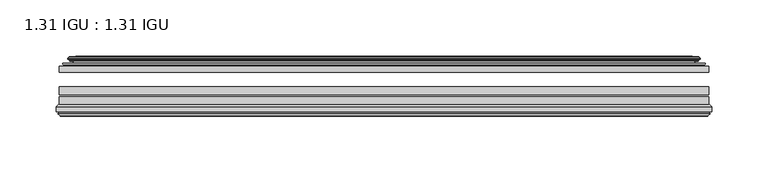
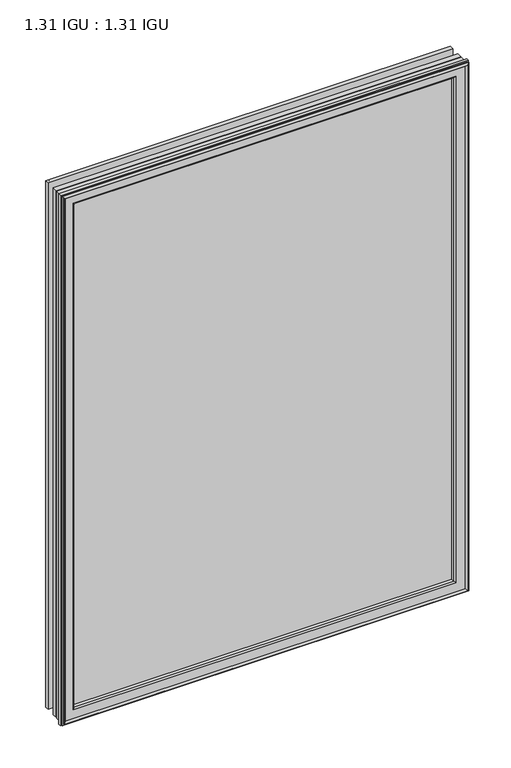
"""IFC4 building model written with IfcOpenShell, lengths in millimetres: plate geometry, 1.31 IGU : 1.31 IGU."""

from ifc_helpers import new_model, si_unit, frame, origin, place, context, project, spatial, polyline, ellipse_curve, outline, extrude, source, transform, mapped, element, save
from ifc_brep_helpers import plane_surface, cylinder_surface, revolved_surface, advanced_brep


def plate_1_31_igu_1_31_igu_2c8ac262(model_context):
    return source(origin(), model_context, "Body", "SolidModel", [
        extrude(outline(polyline([(287.3325649, -44.8960875), (287.3325649, -50.4332875), (-287.3375, -50.4332875), (-287.3375, -44.8960875), (287.3325649, -44.8960875)])), frame((0.0, 0.0, -14.2875), z_axis=(0.0, 0.0, 1.0), x_axis=(1.0, 0.0, 0.0)), (0.0, 0.0, 1.0), 790.47848),
        extrude(outline(polyline([(-287.3375, -78.7796875), (-287.3375, -71.7692875), (287.3325649, -71.7692875), (287.3325649, -78.7796875), (-287.3375, -78.7796875)])), frame((0.0, 0.0, -14.2875), z_axis=(0.0, 0.0, 1.0), x_axis=(1.0, 0.0, 0.0)), (0.0, 0.0, 1.0), 790.47848),
        extrude(outline(polyline([(-287.3375, -70.2452875), (-287.3375, -63.1332875), (287.3325649, -63.1332875), (287.3325649, -70.2452875), (-287.3375, -70.2452875)])), frame((0.0, 0.0, -14.2875), z_axis=(0.0, 0.0, 1.0), x_axis=(1.0, 0.0, 0.0)), (0.0, 0.0, 1.0), 790.47848),
        advanced_brep(
        [(-277.9921755, -37.7373382, 766.8456555), (-273.0505426, -36.3108875, 761.9040226), (-273.0505426, -36.3108875, -0.0005426), (-277.9921755, -37.7373382, -4.9421755), (-277.8270702, -36.9605789, 766.6805502), (-277.8270702, -36.9605789, -4.7770702), (-278.4225559, -36.4771203, 767.2760359), (-278.4225559, -36.4771203, -5.3725559), (-279.6871917, -37.766076, 768.5406717), (-279.6871917, -37.766076, -6.6371917), (-279.6763749, -38.8797852, 768.5298549), (-279.6763749, -38.8797852, -6.6263749), (-278.3948897, -40.1361433, 767.2483697), (-278.3948897, -40.1361433, -5.3448897), (-277.7898829, -39.649943, 766.6433629), (-277.7898829, -39.649943, -4.7398829), (-278.3438972, -39.0959287, 767.1973772), (-278.3438972, -39.0959287, -5.2938972), (-276.0580887, -38.7029881, 764.9115687), (-276.0580887, -38.7029881, -3.0080887), (-274.5990157, -40.2107282, 763.4524957), (-274.5990157, -40.2107282, -1.5490157), (-274.8955976, -41.651269, 763.7490776), (-274.8955976, -41.651269, -1.8455976), (-275.6668221, -42.2798875, 764.5203021), (-275.6668221, -42.2798875, -2.6168221), (-283.9707984, -43.4871542, 772.8242784), (-283.6955969, -42.2798875, 772.5490769), (-283.6955969, -42.2798875, -10.6455969), (-283.9707984, -43.4871542, -10.9207984), (-280.5132297, -44.8960875, 769.3667097), (-280.5132297, -44.8960875, -7.4632297), (-269.4156059, -44.023302, 758.2690859), (-269.7709439, -44.8960875, 758.6244239), (-269.7709439, -44.8960875, 3.2790561), (-269.4156059, -44.023302, 3.6343941), (-270.086804, -43.3681812, 758.940284), (-270.086804, -43.3681812, 2.963196), (-271.7275946, -40.6686056, 760.5810746), (-271.7275946, -40.6686056, 1.3224054), (273.0505426, -36.3108875, -0.0005426), (277.9921755, -37.7373382, -4.9421755), (277.8270702, -36.9605789, -4.7770702), (278.4225559, -36.4771203, -5.3725559), (279.6871917, -37.766076, -6.6371917), (279.6763749, -38.8797852, -6.6263749), (278.3948897, -40.1361433, -5.3448897), (277.7898829, -39.649943, -4.7398829), (278.3438972, -39.0959287, -5.2938972), (276.0580887, -38.7029881, -3.0080887), (274.5990157, -40.2107282, -1.5490157), (274.8955976, -41.651269, -1.8455976), (275.6668221, -42.2798875, -2.6168221), (283.6955969, -42.2798875, -10.6455969), (283.9707984, -43.4871542, -10.9207984), (280.5132297, -44.8960875, -7.4632297), (269.7709439, -44.8960875, 3.2790561), (269.4156059, -44.023302, 3.6343941), (270.086804, -43.3681812, 2.963196), (271.7275946, -40.6686056, 1.3224054), (273.0505426, -36.3108875, 761.9040226), (277.9921755, -37.7373382, 766.8456555), (277.8270702, -36.9605789, 766.6805502), (278.4225559, -36.4771203, 767.2760359), (279.6871917, -37.766076, 768.5406717), (279.6763749, -38.8797852, 768.5298549), (278.3948897, -40.1361433, 767.2483697), (277.7898829, -39.649943, 766.6433629), (278.3438972, -39.0959287, 767.1973772), (276.0580887, -38.7029881, 764.9115687), (274.5990157, -40.2107282, 763.4524957), (274.8955976, -41.651269, 763.7490776), (275.6668221, -42.2798875, 764.5203021), (283.6955969, -42.2798875, 772.5490769), (283.9707984, -43.4871542, 772.8242784), (280.5132297, -44.8960875, 769.3667097), (269.7709439, -44.8960875, 758.6244239), (269.4156059, -44.023302, 758.2690859), (270.086804, -43.3681812, 758.940284), (271.7275946, -40.6686056, 760.5810746)],
        [
            (0, 1),
            (1, 2),
            (2, 3),
            (3, 0),
            (4, 0),
            (3, 5),
            (5, 4),
            (6, 4, ellipse_curve(frame((-278.1475871, -36.746901, 767.0010671), z_axis=(-0.7071067811865475, 0.0, -0.7071067811865475), x_axis=(-0.7071067811865474, 0.0, 0.7071067811865476)), 0.5447741, 0.3852135)),
            (5, 7, ellipse_curve(frame((-278.1475871, -36.746901, -5.0975871), z_axis=(-0.7071067811865475, 0.0, 0.7071067811865475), x_axis=(0.7071067811865474, 0.0, 0.7071067811865476)), 0.5447741, 0.3852135)),
            (7, 6),
            (8, 6),
            (7, 9),
            (9, 8),
            (10, 8, ellipse_curve(frame((-279.1251387, -38.3175243, 767.9786187), z_axis=(-0.7071067811865475, 0.0, -0.7071067811865475), x_axis=(-0.7071067811865474, 0.0, 0.7071067811865476)), 1.1135518, 0.7874)),
            (9, 11, ellipse_curve(frame((-279.1251387, -38.3175243, -6.0751387), z_axis=(-0.7071067811865475, 0.0, 0.7071067811865475), x_axis=(0.7071067811865474, 0.0, 0.7071067811865476)), 1.1135518, 0.7874)),
            (11, 10),
            (12, 10),
            (11, 13),
            (13, 12),
            (14, 12, ellipse_curve(frame((-278.1212922, -39.8570738, 766.9747722), z_axis=(-0.7071067811865475, 0.0, -0.7071067811865475), x_axis=(-0.7071067811865474, 0.0, 0.7071067811865476)), 0.552694, 0.3908137)),
            (13, 15, ellipse_curve(frame((-278.1212922, -39.8570738, -5.0712922), z_axis=(-0.7071067811865475, 0.0, 0.7071067811865475), x_axis=(0.7071067811865474, 0.0, 0.7071067811865476)), 0.552694, 0.3908137)),
            (15, 14),
            (16, 14),
            (15, 17),
            (17, 16),
            (18, 16),
            (17, 19),
            (19, 18),
            (20, 18, ellipse_curve(frame((-275.8429261, -39.954629, 764.6964061), z_axis=(0.7071067811865475, 0.0, 0.7071067811865475), x_axis=(0.7071067811865474, 0.0, -0.7071067811865476)), 1.7960512, 1.27)),
            (19, 21, ellipse_curve(frame((-275.8429261, -39.954629, -2.7929261), z_axis=(0.7071067811865475, 0.0, -0.7071067811865475), x_axis=(-0.7071067811865474, 0.0, -0.7071067811865476)), 1.7960512, 1.27)),
            (21, 20),
            (22, 20),
            (21, 23),
            (23, 22),
            (24, 22, ellipse_curve(frame((-275.6668221, -41.4924875, 764.5203021), z_axis=(0.7071067811865475, 0.0, 0.7071067811865475), x_axis=(0.7071067811865474, 0.0, -0.7071067811865476)), 1.1135518, 0.7874)),
            (23, 25, ellipse_curve(frame((-275.6668221, -41.4924875, -2.6168221), z_axis=(0.7071067811865475, 0.0, -0.7071067811865475), x_axis=(-0.7071067811865474, 0.0, -0.7071067811865476)), 1.1135518, 0.7874)),
            (25, 24),
            (26, 27, ellipse_curve(frame((-283.6955969, -42.9148875, 772.5490769), z_axis=(-0.7071067811865475, 0.0, -0.7071067811865475), x_axis=(-0.7071067811865474, 0.0, 0.7071067811865476)), 0.8980256, 0.635)),
            (27, 28),
            (28, 29, ellipse_curve(frame((-283.6955969, -42.9148875, -10.6455969), z_axis=(-0.7071067811865475, 0.0, 0.7071067811865475), x_axis=(0.7071067811865474, 0.0, 0.7071067811865476)), 0.8980256, 0.635)),
            (29, 26),
            (30, 26),
            (29, 31),
            (31, 30),
            (32, 33, ellipse_curve(frame((-269.7709439, -44.3873602, 758.6244239), z_axis=(-0.7071067811865475, 0.0, -0.7071067811865475), x_axis=(-0.7071067811865474, 0.0, 0.7071067811865476)), 0.719449, 0.5087273)),
            (33, 34),
            (34, 35, ellipse_curve(frame((-269.7709439, -44.3873602, 3.2790561), z_axis=(-0.7071067811865475, 0.0, 0.7071067811865475), x_axis=(0.7071067811865474, 0.0, 0.7071067811865476)), 0.719449, 0.5087273)),
            (35, 32),
            (36, 32),
            (35, 37),
            (37, 36),
            (38, 36, ellipse_curve(frame((-265.6514298, -38.823959, 754.5049098), z_axis=(0.7071067811865475, 0.0, 0.7071067811865475), x_axis=(0.7071067811865474, 0.0, -0.7071067811865476)), 8.9802561, 6.35)),
            (37, 39, ellipse_curve(frame((-265.6514298, -38.823959, 7.3985702), z_axis=(0.7071067811865475, 0.0, -0.7071067811865475), x_axis=(-0.7071067811865474, 0.0, -0.7071067811865476)), 8.9802561, 6.35)),
            (39, 38),
            (1, 38),
            (39, 2),
            (2, 40),
            (40, 41),
            (41, 3),
            (41, 42),
            (42, 5),
            (42, 43, ellipse_curve(frame((278.1475871, -36.746901, -5.0975871), z_axis=(-0.7071067811865475, 0.0, -0.7071067811865475), x_axis=(-0.7071067811865476, 0.0, 0.7071067811865474)), 0.5447741, 0.3852135)),
            (43, 7),
            (43, 44),
            (44, 9),
            (44, 45, ellipse_curve(frame((279.1251387, -38.3175243, -6.0751387), z_axis=(-0.7071067811865475, 0.0, -0.7071067811865475), x_axis=(-0.7071067811865476, 0.0, 0.7071067811865474)), 1.1135518, 0.7874)),
            (45, 11),
            (45, 46),
            (46, 13),
            (46, 47, ellipse_curve(frame((278.1212922, -39.8570738, -5.0712922), z_axis=(-0.7071067811865475, 0.0, -0.7071067811865475), x_axis=(-0.7071067811865476, 0.0, 0.7071067811865474)), 0.552694, 0.3908137)),
            (47, 15),
            (47, 48),
            (48, 17),
            (48, 49),
            (49, 19),
            (49, 50, ellipse_curve(frame((275.8429261, -39.954629, -2.7929261), z_axis=(0.7071067811865475, 0.0, 0.7071067811865475), x_axis=(0.7071067811865476, 0.0, -0.7071067811865474)), 1.7960512, 1.27)),
            (50, 21),
            (50, 51),
            (51, 23),
            (51, 52, ellipse_curve(frame((275.6668221, -41.4924875, -2.6168221), z_axis=(0.7071067811865475, 0.0, 0.7071067811865475), x_axis=(0.7071067811865476, 0.0, -0.7071067811865474)), 1.1135518, 0.7874)),
            (52, 25),
            (28, 53),
            (53, 54, ellipse_curve(frame((283.6955969, -42.9148875, -10.6455969), z_axis=(-0.7071067811865475, 0.0, -0.7071067811865475), x_axis=(-0.7071067811865476, 0.0, 0.7071067811865474)), 0.8980256, 0.635)),
            (54, 29),
            (54, 55),
            (55, 31),
            (34, 56),
            (56, 57, ellipse_curve(frame((269.7709439, -44.3873602, 3.2790561), z_axis=(-0.7071067811865475, 0.0, -0.7071067811865475), x_axis=(-0.7071067811865476, 0.0, 0.7071067811865474)), 0.719449, 0.5087273)),
            (57, 35),
            (57, 58),
            (58, 37),
            (58, 59, ellipse_curve(frame((265.6514298, -38.823959, 7.3985702), z_axis=(0.7071067811865475, 0.0, 0.7071067811865475), x_axis=(0.7071067811865476, 0.0, -0.7071067811865474)), 8.9802561, 6.35)),
            (59, 39),
            (59, 40),
            (40, 60),
            (60, 61),
            (61, 41),
            (61, 62),
            (62, 42),
            (62, 63, ellipse_curve(frame((278.1475871, -36.746901, 767.0010671), z_axis=(0.7071067811865475, 0.0, -0.7071067811865475), x_axis=(-0.7071067811865474, 0.0, -0.7071067811865476)), 0.5447741, 0.3852135)),
            (63, 43),
            (63, 64),
            (64, 44),
            (64, 65, ellipse_curve(frame((279.1251387, -38.3175243, 767.9786187), z_axis=(0.7071067811865475, 0.0, -0.7071067811865475), x_axis=(-0.7071067811865474, 0.0, -0.7071067811865476)), 1.1135518, 0.7874)),
            (65, 45),
            (65, 66),
            (66, 46),
            (66, 67, ellipse_curve(frame((278.1212922, -39.8570738, 766.9747722), z_axis=(0.7071067811865475, 0.0, -0.7071067811865475), x_axis=(-0.7071067811865474, 0.0, -0.7071067811865476)), 0.552694, 0.3908137)),
            (67, 47),
            (67, 68),
            (68, 48),
            (68, 69),
            (69, 49),
            (69, 70, ellipse_curve(frame((275.8429261, -39.954629, 764.6964061), z_axis=(-0.7071067811865475, 0.0, 0.7071067811865475), x_axis=(0.7071067811865474, 0.0, 0.7071067811865476)), 1.7960512, 1.27)),
            (70, 50),
            (70, 71),
            (71, 51),
            (71, 72, ellipse_curve(frame((275.6668221, -41.4924875, 764.5203021), z_axis=(-0.7071067811865475, 0.0, 0.7071067811865475), x_axis=(0.7071067811865474, 0.0, 0.7071067811865476)), 1.1135518, 0.7874)),
            (72, 52),
            (53, 73),
            (73, 74, ellipse_curve(frame((283.6955969, -42.9148875, 772.5490769), z_axis=(0.7071067811865475, 0.0, -0.7071067811865475), x_axis=(-0.7071067811865474, 0.0, -0.7071067811865476)), 0.8980256, 0.635)),
            (74, 54),
            (74, 75),
            (75, 55),
            (56, 76),
            (76, 77, ellipse_curve(frame((269.7709439, -44.3873602, 758.6244239), z_axis=(0.7071067811865475, 0.0, -0.7071067811865475), x_axis=(-0.7071067811865474, 0.0, -0.7071067811865476)), 0.719449, 0.5087273)),
            (77, 57),
            (77, 78),
            (78, 58),
            (78, 79, ellipse_curve(frame((265.6514298, -38.823959, 754.5049098), z_axis=(-0.7071067811865475, 0.0, 0.7071067811865475), x_axis=(0.7071067811865474, 0.0, 0.7071067811865476)), 8.9802561, 6.35)),
            (79, 59),
            (79, 60),
            (60, 1),
            (0, 61),
            (4, 62),
            (6, 63),
            (8, 64),
            (10, 65),
            (12, 66),
            (14, 67),
            (16, 68),
            (18, 69),
            (20, 70),
            (22, 71),
            (24, 72),
            (27, 73),
            (26, 74),
            (30, 75),
            (33, 76),
            (32, 77),
            (36, 78),
            (38, 79),
        ],
        [
            plane_surface(frame((-273.0505426, -36.3108875, 761.9040226), z_axis=(-0.2773364928492854, 0.9607728502273877, 0.0), x_axis=(0.0, 0.0, -1.0))),
            plane_surface(frame((-277.9921755, -37.7373382, 766.8456555), z_axis=(0.9781476007338358, -0.20791169081761768, 0.0), x_axis=(0.0, 0.0, -1.0))),
            cylinder_surface(frame((-278.1475871, -36.746901, 793.65348), z_axis=(0.0, 0.0, 1.0), x_axis=(-1.0, 0.0, 0.0)), 0.3852135),
            plane_surface(frame((-278.4225559, -36.4771203, 767.2760359), z_axis=(-0.7138087599382162, 0.7003406701280928, 0.0), x_axis=(0.0, 0.0, -1.0))),
            cylinder_surface(frame((-279.1251387, -38.3175243, 793.65348), z_axis=(0.0, 0.0, 1.0), x_axis=(-1.0, 0.0, 0.0)), 0.7874),
            plane_surface(frame((-279.6763749, -38.8797852, 768.5298549), z_axis=(-0.7000714109283732, -0.7140728391423082, 0.0), x_axis=(0.0, 0.0, -1.0))),
            cylinder_surface(frame((-278.1212922, -39.8570738, 793.65348), z_axis=(0.0, 0.0, 1.0), x_axis=(-1.0, 0.0, 0.0)), 0.3908137),
            plane_surface(frame((-277.7898829, -39.649943, 766.6433629), z_axis=(0.7071067811861126, 0.7071067811869826, 0.0), x_axis=(0.0, 0.0, -1.0))),
            plane_surface(frame((-278.3438972, -39.0959287, 767.1973772), z_axis=(0.16941940671011485, -0.9855440449974789, 0.0), x_axis=(0.0, 0.0, -1.0))),
            revolved_surface(polyline([(-277.1129261, -39.954629, -4.0629260828783345), (-277.1129261, -39.954629, 765.9664060828783)]), (-275.8429261, -39.954629, 793.65348), (0.0, 0.0, -1.0)),
            plane_surface(frame((-274.5990157, -40.2107282, 763.4524957), z_axis=(-0.9794570432566897, 0.201652920670302, 0.0), x_axis=(0.0, 0.0, -1.0))),
            revolved_surface(polyline([(-276.4542221, -41.4924875, -3.4042221289824965), (-276.4542221, -41.4924875, 765.3077021289824)]), (-275.6668221, -41.4924875, 793.65348), (0.0, 0.0, -1.0)),
            cylinder_surface(frame((-283.6955969, -42.9148875, 793.65348), z_axis=(0.0, 0.0, 1.0), x_axis=(-1.0, 0.0, 0.0)), 0.635),
            plane_surface(frame((-283.9707984, -43.4871542, 772.8242784), z_axis=(-0.37736447542757934, -0.9260648209954139, 0.0), x_axis=(0.0, 0.0, -1.0))),
            cylinder_surface(frame((-269.7709439, -44.3873602, 793.65348), z_axis=(0.0, 0.0, 1.0), x_axis=(-1.0, 0.0, 0.0)), 0.5087273),
            plane_surface(frame((-269.4156059, -44.023302, 758.2690859), z_axis=(0.698484125849927, 0.7156255486884628, 0.0), x_axis=(0.0, 0.0, -1.0))),
            revolved_surface(polyline([(-272.00142980000004, -38.823959, 1.0485702148981773), (-272.00142980000004, -38.823959, 760.8549097851018)]), (-265.6514298, -38.823959, 793.65348), (0.0, 0.0, -1.0)),
            plane_surface(frame((-271.7275946, -40.6686056, 760.5810746), z_axis=(0.9568763473517009, 0.2904955350411896, 0.0), x_axis=(0.0, 0.0, -1.0))),
            plane_surface(frame((-273.0505426, -36.3108875, -0.0005426), z_axis=(0.0, 0.9607728502273868, -0.2773364928492885), x_axis=(1.0, 0.0, 0.0))),
            plane_surface(frame((-277.9921755, -37.7373382, -4.9421755), z_axis=(0.0, -0.20791169081761454, 0.9781476007338364), x_axis=(1.0, 0.0, 0.0))),
            cylinder_surface(frame((-304.8, -36.746901, -5.0975871), z_axis=(-1.0, 0.0, 0.0), x_axis=(0.0, 0.0, -1.0)), 0.3852135),
            plane_surface(frame((-278.4225559, -36.4771203, -5.3725559), z_axis=(0.0, 0.7003406701280904, -0.7138087599382185), x_axis=(1.0, 0.0, 0.0))),
            cylinder_surface(frame((-304.8, -38.3175243, -6.0751387), z_axis=(-1.0, 0.0, 0.0), x_axis=(0.0, 0.0, -1.0)), 0.7874),
            plane_surface(frame((-279.6763749, -38.8797852, -6.6263749), z_axis=(0.0, -0.7140728391423105, -0.7000714109283709), x_axis=(1.0, 0.0, 0.0))),
            cylinder_surface(frame((-304.8, -39.8570738, -5.0712922), z_axis=(-1.0, 0.0, 0.0), x_axis=(0.0, 0.0, -1.0)), 0.3908137),
            plane_surface(frame((-277.7898829, -39.649943, -4.7398829), z_axis=(0.0, 0.7071067811869849, 0.7071067811861103), x_axis=(1.0, 0.0, 0.0))),
            plane_surface(frame((-278.3438972, -39.0959287, -5.2938972), z_axis=(0.0, -0.9855440449974784, 0.16941940671011801), x_axis=(1.0, 0.0, 0.0))),
            revolved_surface(polyline([(277.11292608287835, -39.954629, -4.0629261), (-277.11292608287823, -39.954629, -4.0629261)]), (-304.8, -39.954629, -2.7929261), (1.0, 0.0, 0.0)),
            plane_surface(frame((-274.5990157, -40.2107282, -1.5490157), z_axis=(0.0, 0.20165292067029883, -0.9794570432566904), x_axis=(1.0, 0.0, 0.0))),
            revolved_surface(polyline([(276.4542221289824, -41.4924875, -3.4042220999999997), (-276.45422212898245, -41.4924875, -3.4042220999999997)]), (-304.8, -41.4924875, -2.6168221), (1.0, 0.0, 0.0)),
            cylinder_surface(frame((-304.8, -42.9148875, -10.6455969), z_axis=(-1.0, 0.0, 0.0), x_axis=(0.0, 0.0, -1.0)), 0.635),
            plane_surface(frame((-283.9707984, -43.4871542, -10.9207984), z_axis=(0.0, -0.9260648209954151, -0.37736447542757634), x_axis=(1.0, 0.0, 0.0))),
            cylinder_surface(frame((-304.8, -44.3873602, 3.2790561), z_axis=(-1.0, 0.0, 0.0), x_axis=(0.0, 0.0, -1.0)), 0.5087273),
            plane_surface(frame((-269.4156059, -44.023302, 3.6343941), z_axis=(0.0, 0.7156255486884651, 0.6984841258499247), x_axis=(1.0, 0.0, 0.0))),
            revolved_surface(polyline([(272.00142978510183, -38.823959, 1.0485702000000003), (-272.0014297851019, -38.823959, 1.0485702000000003)]), (-304.8, -38.823959, 7.3985702), (1.0, 0.0, 0.0)),
            plane_surface(frame((-271.7275946, -40.6686056, 1.3224054), z_axis=(0.0, 0.29049553504119263, 0.9568763473517), x_axis=(1.0, 0.0, 0.0))),
            plane_surface(frame((273.0505426, -36.3108875, -0.0005426), z_axis=(0.2773364928492916, 0.9607728502273859, 0.0), x_axis=(0.0, 0.0, 1.0))),
            plane_surface(frame((277.9921755, -37.7373382, -4.9421755), z_axis=(-0.9781476007338371, -0.2079116908176114, 0.0), x_axis=(0.0, 0.0, 1.0))),
            cylinder_surface(frame((278.1475871, -36.746901, -31.75), z_axis=(0.0, 0.0, -1.0), x_axis=(1.0, 0.0, 0.0)), 0.3852135),
            plane_surface(frame((278.4225559, -36.4771203, -5.3725559), z_axis=(0.7138087599382208, 0.7003406701280882, 0.0), x_axis=(0.0, 0.0, 1.0))),
            cylinder_surface(frame((279.1251387, -38.3175243, -31.75), z_axis=(0.0, 0.0, -1.0), x_axis=(1.0, 0.0, 0.0)), 0.7874),
            plane_surface(frame((279.6763749, -38.8797852, -6.6263749), z_axis=(0.7000714109283687, -0.7140728391423128, 0.0), x_axis=(0.0, 0.0, 1.0))),
            cylinder_surface(frame((278.1212922, -39.8570738, -31.75), z_axis=(0.0, 0.0, -1.0), x_axis=(1.0, 0.0, 0.0)), 0.3908137),
            plane_surface(frame((277.7898829, -39.649943, -4.7398829), z_axis=(-0.7071067811861079, 0.7071067811869872, 0.0), x_axis=(0.0, 0.0, 1.0))),
            plane_surface(frame((278.3438972, -39.0959287, -5.2938972), z_axis=(-0.16941940671012118, -0.9855440449974778, 0.0), x_axis=(0.0, 0.0, 1.0))),
            revolved_surface(polyline([(277.1129261, -39.954629, 765.9664060828783), (277.1129261, -39.954629, -4.062926082878235)]), (275.8429261, -39.954629, -31.75), (0.0, 0.0, 1.0)),
            plane_surface(frame((274.5990157, -40.2107282, -1.5490157), z_axis=(0.979457043256691, 0.20165292067029567, 0.0), x_axis=(0.0, 0.0, 1.0))),
            revolved_surface(polyline([(276.4542221, -41.4924875, 765.3077021289824), (276.4542221, -41.4924875, -3.404222128982486)]), (275.6668221, -41.4924875, -31.75), (0.0, 0.0, 1.0)),
            cylinder_surface(frame((283.6955969, -42.9148875, -31.75), z_axis=(0.0, 0.0, -1.0), x_axis=(1.0, 0.0, 0.0)), 0.635),
            plane_surface(frame((283.9707984, -43.4871542, -10.9207984), z_axis=(0.37736447542757334, -0.9260648209954163, 0.0), x_axis=(0.0, 0.0, 1.0))),
            cylinder_surface(frame((269.7709439, -44.3873602, -31.75), z_axis=(0.0, 0.0, -1.0), x_axis=(1.0, 0.0, 0.0)), 0.5087273),
            plane_surface(frame((269.4156059, -44.023302, 3.6343941), z_axis=(-0.6984841258499224, 0.7156255486884673, 0.0), x_axis=(0.0, 0.0, 1.0))),
            revolved_surface(polyline([(272.00142980000004, -38.823959, 760.8549097851018), (272.00142980000004, -38.823959, 1.0485702148981417)]), (265.6514298, -38.823959, -31.75), (0.0, 0.0, 1.0)),
            plane_surface(frame((271.7275946, -40.6686056, 1.3224054), z_axis=(-0.9568763473516991, 0.2904955350411957, 0.0), x_axis=(0.0, 0.0, 1.0))),
            plane_surface(frame((273.0505426, -36.3108875, 761.9040226), z_axis=(0.0, 0.9607728502273868, 0.2773364928492885), x_axis=(-1.0, 0.0, 0.0))),
            plane_surface(frame((277.9921755, -37.7373382, 766.8456555), z_axis=(0.0, -0.20791169081761454, -0.9781476007338364), x_axis=(-1.0, 0.0, 0.0))),
            cylinder_surface(frame((304.8, -36.746901, 767.0010671), z_axis=(1.0, 0.0, 0.0), x_axis=(0.0, 0.0, 1.0)), 0.3852135),
            plane_surface(frame((278.4225559, -36.4771203, 767.2760359), z_axis=(0.0, 0.7003406701280904, 0.7138087599382185), x_axis=(-1.0, 0.0, 0.0))),
            cylinder_surface(frame((304.8, -38.3175243, 767.9786187), z_axis=(1.0, 0.0, 0.0), x_axis=(0.0, 0.0, 1.0)), 0.7874),
            plane_surface(frame((279.6763749, -38.8797852, 768.5298549), z_axis=(0.0, -0.7140728391423106, 0.700071410928371), x_axis=(-1.0, 0.0, 0.0))),
            cylinder_surface(frame((304.8, -39.8570738, 766.9747722), z_axis=(1.0, 0.0, 0.0), x_axis=(0.0, 0.0, 1.0)), 0.3908137),
            plane_surface(frame((277.7898829, -39.649943, 766.6433629), z_axis=(0.0, 0.7071067811869849, -0.7071067811861103), x_axis=(-1.0, 0.0, 0.0))),
            plane_surface(frame((278.3438972, -39.0959287, 767.1973772), z_axis=(0.0, -0.9855440449974784, -0.16941940671011801), x_axis=(-1.0, 0.0, 0.0))),
            revolved_surface(polyline([(-277.11292608287835, -39.954629, 765.9664061), (277.11292608287823, -39.954629, 765.9664061)]), (304.8, -39.954629, 764.6964061), (-1.0, 0.0, 0.0)),
            plane_surface(frame((274.5990157, -40.2107282, 763.4524957), z_axis=(0.0, 0.20165292067029883, 0.9794570432566904), x_axis=(-1.0, 0.0, 0.0))),
            revolved_surface(polyline([(-276.4542221289824, -41.4924875, 765.3077021), (276.45422212898245, -41.4924875, 765.3077021)]), (304.8, -41.4924875, 764.5203021), (-1.0, 0.0, 0.0)),
            plane_surface(frame((275.6668221, -42.2798875, 764.5203021), z_axis=(0.0, 1.0, 0.0), x_axis=(-1.0, 0.0, 0.0))),
            cylinder_surface(frame((304.8, -42.9148875, 772.5490769), z_axis=(1.0, 0.0, 0.0), x_axis=(0.0, 0.0, 1.0)), 0.635),
            plane_surface(frame((283.9707984, -43.4871542, 772.8242784), z_axis=(0.0, -0.9260648209954151, 0.37736447542757634), x_axis=(-1.0, 0.0, 0.0))),
            plane_surface(frame((280.5132297, -44.8960875, 769.3667097), z_axis=(0.0, -1.0, 0.0), x_axis=(-1.0, 0.0, 0.0))),
            cylinder_surface(frame((304.8, -44.3873602, 758.6244239), z_axis=(1.0, 0.0, 0.0), x_axis=(0.0, 0.0, 1.0)), 0.5087273),
            plane_surface(frame((269.4156059, -44.023302, 758.2690859), z_axis=(0.0, 0.7156255486884651, -0.6984841258499247), x_axis=(-1.0, 0.0, 0.0))),
            revolved_surface(polyline([(-272.00142978510183, -38.823959, 760.8549098), (272.0014297851019, -38.823959, 760.8549098)]), (304.8, -38.823959, 754.5049098), (-1.0, 0.0, 0.0)),
            plane_surface(frame((271.7275946, -40.6686056, 760.5810746), z_axis=(0.0, 0.29049553504119263, -0.9568763473517), x_axis=(-1.0, 0.0, 0.0))),
        ],
        [
            (0, [[1, 2, 3, 4]]),
            (1, [[5, -4, 6, 7]]),
            (2, [[8, -7, 9, 10]]),
            (3, [[11, -10, 12, 13]]),
            (4, [[14, -13, 15, 16]]),
            (5, [[17, -16, 18, 19]]),
            (6, [[20, -19, 21, 22]]),
            (7, [[23, -22, 24, 25]]),
            (8, [[26, -25, 27, 28]]),
            (9, [[29, -28, 30, 31]]),
            (10, [[32, -31, 33, 34]]),
            (11, [[35, -34, 36, 37]]),
            (12, [[38, 39, 40, 41]]),
            (13, [[42, -41, 43, 44]]),
            (14, [[45, 46, 47, 48]]),
            (15, [[49, -48, 50, 51]]),
            (16, [[52, -51, 53, 54]]),
            (17, [[55, -54, 56, -2]]),
            (18, [[-3, 57, 58, 59]]),
            (19, [[-6, -59, 60, 61]]),
            (20, [[-9, -61, 62, 63]]),
            (21, [[-12, -63, 64, 65]]),
            (22, [[-15, -65, 66, 67]]),
            (23, [[-18, -67, 68, 69]]),
            (24, [[-21, -69, 70, 71]]),
            (25, [[-24, -71, 72, 73]]),
            (26, [[-27, -73, 74, 75]]),
            (27, [[-30, -75, 76, 77]]),
            (28, [[-33, -77, 78, 79]]),
            (29, [[-36, -79, 80, 81]]),
            (30, [[-40, 82, 83, 84]]),
            (31, [[-43, -84, 85, 86]]),
            (32, [[-47, 87, 88, 89]]),
            (33, [[-50, -89, 90, 91]]),
            (34, [[-53, -91, 92, 93]]),
            (35, [[-56, -93, 94, -57]]),
            (36, [[-58, 95, 96, 97]]),
            (37, [[-60, -97, 98, 99]]),
            (38, [[-62, -99, 100, 101]]),
            (39, [[-64, -101, 102, 103]]),
            (40, [[-66, -103, 104, 105]]),
            (41, [[-68, -105, 106, 107]]),
            (42, [[-70, -107, 108, 109]]),
            (43, [[-72, -109, 110, 111]]),
            (44, [[-74, -111, 112, 113]]),
            (45, [[-76, -113, 114, 115]]),
            (46, [[-78, -115, 116, 117]]),
            (47, [[-80, -117, 118, 119]]),
            (48, [[-83, 120, 121, 122]]),
            (49, [[-85, -122, 123, 124]]),
            (50, [[-88, 125, 126, 127]]),
            (51, [[-90, -127, 128, 129]]),
            (52, [[-92, -129, 130, 131]]),
            (53, [[-94, -131, 132, -95]]),
            (54, [[-96, 133, -1, 134]]),
            (55, [[-98, -134, -5, 135]]),
            (56, [[-100, -135, -8, 136]]),
            (57, [[-102, -136, -11, 137]]),
            (58, [[-104, -137, -14, 138]]),
            (59, [[-106, -138, -17, 139]]),
            (60, [[-108, -139, -20, 140]]),
            (61, [[-110, -140, -23, 141]]),
            (62, [[-112, -141, -26, 142]]),
            (63, [[-114, -142, -29, 143]]),
            (64, [[-116, -143, -32, 144]]),
            (65, [[-118, -144, -35, 145]]),
            (66, [[146, -120, -82, -39], [-81, -119, -145, -37]]),
            (67, [[-121, -146, -38, 147]]),
            (68, [[-123, -147, -42, 148]]),
            (69, [[-86, -124, -148, -44], [149, -125, -87, -46]]),
            (70, [[-126, -149, -45, 150]]),
            (71, [[-128, -150, -49, 151]]),
            (72, [[-130, -151, -52, 152]]),
            (73, [[-132, -152, -55, -133]]),
        ],
    ),
        advanced_brep(
        [(-270.3624494, -83.3389875, 759.2159294), (-272.1375155, -85.1296875, 760.9909955), (-272.1375155, -85.1296875, 0.9124845), (-270.3624494, -83.3389875, 2.6875506), (-269.3392401, -78.7796875, 758.1927201), (-269.3392401, -78.7796875, 3.7107599), (-289.9199491, -80.9740477, 778.7734291), (-287.7255889, -78.7796875, 776.5790689), (-287.7255889, -78.7796875, -14.6755889), (-289.9199491, -80.9740477, -16.8699491), (-289.9199491, -85.1296875, 778.7734291), (-289.9199491, -85.1296875, -16.8699491), (-287.3948889, -86.3747112, 776.2483689), (-288.1461159, -85.1296875, 776.9995959), (-288.1461159, -85.1296875, -15.0961159), (-287.3948889, -86.3747112, -14.3448889), (-287.0853598, -87.6502863, 775.9388398), (-287.0853598, -87.6502863, -14.0353598), (-288.1034732, -87.2076396, 776.9569532), (-288.1034732, -87.2076396, -15.0534732), (-286.4164838, -88.8840626, 775.2699638), (-288.8981832, -87.2076396, 777.7516632), (-288.8981832, -87.2076396, -15.8481832), (-286.4164838, -88.8840626, -13.3664838), (-284.2646584, -86.9401656, 773.1181384), (-284.2646584, -86.9401656, -11.2146584), (-285.9720126, -87.5528811, 774.8254926), (-285.0462314, -86.9401656, 773.8997114), (-285.0462314, -86.9401656, -11.9962314), (-285.9720126, -87.5528811, -12.9220126), (-285.8886873, -86.2429356, 774.7421673), (-285.8886873, -86.2429356, -12.8386873), (-285.2904492, -85.1296875, 774.1439292), (-285.2904492, -85.1296875, -12.2404492), (272.1375155, -85.1296875, 0.9124845), (270.3624494, -83.3389875, 2.6875506), (269.3392401, -78.7796875, 3.7107599), (287.7255889, -78.7796875, -14.6755889), (289.9199491, -80.9740477, -16.8699491), (289.9199491, -85.1296875, -16.8699491), (288.1461159, -85.1296875, -15.0961159), (287.3948889, -86.3747112, -14.3448889), (287.0853598, -87.6502863, -14.0353598), (288.1034732, -87.2076396, -15.0534732), (288.8981832, -87.2076396, -15.8481832), (286.4164838, -88.8840626, -13.3664838), (284.2646584, -86.9401656, -11.2146584), (285.0462314, -86.9401656, -11.9962314), (285.9720126, -87.5528811, -12.9220126), (285.8886873, -86.2429356, -12.8386873), (285.2904492, -85.1296875, -12.2404492), (272.1375155, -85.1296875, 760.9909955), (270.3624494, -83.3389875, 759.2159294), (269.3392401, -78.7796875, 758.1927201), (287.7255889, -78.7796875, 776.5790689), (289.9199491, -80.9740477, 778.7734291), (289.9199491, -85.1296875, 778.7734291), (288.1461159, -85.1296875, 776.9995959), (287.3948889, -86.3747112, 776.2483689), (287.0853598, -87.6502863, 775.9388398), (288.1034732, -87.2076396, 776.9569532), (288.8981832, -87.2076396, 777.7516632), (286.4164838, -88.8840626, 775.2699638), (284.2646584, -86.9401656, 773.1181384), (285.0462314, -86.9401656, 773.8997114), (285.9720126, -87.5528811, 774.8254926), (285.8886873, -86.2429356, 774.7421673), (285.2904492, -85.1296875, 774.1439292)],
        [
            (0, 1, ellipse_curve(frame((-272.3889505, -83.1053133, 761.2424305), z_axis=(-0.7071067811865475, 0.0, -0.7071067811865475), x_axis=(-0.7071067811865474, 0.0, 0.7071067811865476)), 2.8848953, 2.039929)),
            (1, 2),
            (2, 3, ellipse_curve(frame((-272.3889505, -83.1053133, 0.6610495), z_axis=(-0.7071067811865475, 0.0, 0.7071067811865475), x_axis=(0.7071067811865474, 0.0, 0.7071067811865476)), 2.8848953, 2.039929)),
            (3, 0),
            (4, 0),
            (3, 5),
            (5, 4),
            (6, 7),
            (7, 8),
            (8, 9),
            (9, 6),
            (10, 6),
            (9, 11),
            (11, 10),
            (12, 13),
            (13, 14),
            (14, 15),
            (15, 12),
            (16, 12),
            (15, 17),
            (17, 16),
            (18, 16),
            (17, 19),
            (19, 18),
            (20, 21),
            (21, 22),
            (22, 23),
            (23, 20),
            (24, 20),
            (23, 25),
            (25, 24),
            (26, 27),
            (27, 28),
            (28, 29),
            (29, 26),
            (30, 26),
            (29, 31),
            (31, 30),
            (32, 30),
            (31, 33),
            (33, 32),
            (2, 34),
            (34, 35, ellipse_curve(frame((272.3889505, -83.1053133, 0.6610495), z_axis=(-0.7071067811865475, 0.0, -0.7071067811865475), x_axis=(-0.7071067811865476, 0.0, 0.7071067811865474)), 2.8848953, 2.039929)),
            (35, 3),
            (35, 36),
            (36, 5),
            (8, 37),
            (37, 38),
            (38, 9),
            (38, 39),
            (39, 11),
            (14, 40),
            (40, 41),
            (41, 15),
            (41, 42),
            (42, 17),
            (42, 43),
            (43, 19),
            (22, 44),
            (44, 45),
            (45, 23),
            (45, 46),
            (46, 25),
            (28, 47),
            (47, 48),
            (48, 29),
            (48, 49),
            (49, 31),
            (49, 50),
            (50, 33),
            (34, 51),
            (51, 52, ellipse_curve(frame((272.3889505, -83.1053133, 761.2424305), z_axis=(0.7071067811865475, 0.0, -0.7071067811865475), x_axis=(-0.7071067811865474, 0.0, -0.7071067811865476)), 2.8848953, 2.039929)),
            (52, 35),
            (52, 53),
            (53, 36),
            (37, 54),
            (54, 55),
            (55, 38),
            (55, 56),
            (56, 39),
            (40, 57),
            (57, 58),
            (58, 41),
            (58, 59),
            (59, 42),
            (59, 60),
            (60, 43),
            (44, 61),
            (61, 62),
            (62, 45),
            (62, 63),
            (63, 46),
            (47, 64),
            (64, 65),
            (65, 48),
            (65, 66),
            (66, 49),
            (66, 67),
            (67, 50),
            (51, 1),
            (0, 52),
            (4, 53),
            (7, 54),
            (6, 55),
            (10, 56),
            (13, 57),
            (12, 58),
            (16, 59),
            (18, 60),
            (21, 61),
            (20, 62),
            (24, 63),
            (27, 64),
            (26, 65),
            (30, 66),
            (32, 67),
        ],
        [
            cylinder_surface(frame((-272.3889505, -83.1053133, 793.65348), z_axis=(0.0, 0.0, 1.0), x_axis=(-1.0, 0.0, 0.0)), 2.039929),
            plane_surface(frame((-270.3624494, -83.3389875, 759.2159294), z_axis=(0.9757302952562701, -0.21897577701451848, 0.0), x_axis=(0.0, 0.0, -1.0))),
            plane_surface(frame((-287.7255889, -78.7796875, 776.5790689), z_axis=(-0.7071067811871722, 0.7071067811859229, 0.0), x_axis=(0.0, 0.0, -1.0))),
            plane_surface(frame((-289.9199491, -80.9740477, 778.7734291), z_axis=(-1.0, 0.0, 0.0), x_axis=(0.0, 0.0, -1.0))),
            plane_surface(frame((-288.1461159, -85.1296875, 776.9995959), z_axis=(-0.8562121193263807, -0.516624434883434, 0.0), x_axis=(0.0, 0.0, -1.0))),
            plane_surface(frame((-287.3948889, -86.3747112, 776.2483689), z_axis=(-0.9717979666139347, -0.23581499546259124, 0.0), x_axis=(0.0, 0.0, -1.0))),
            plane_surface(frame((-287.0853598, -87.6502863, 775.9388398), z_axis=(0.3987175451776161, 0.9170737806564615, 0.0), x_axis=(0.0, 0.0, -1.0))),
            plane_surface(frame((-288.8981832, -87.2076396, 777.7516632), z_axis=(-0.5597655002239059, -0.8286510633306884, 0.0), x_axis=(0.0, 0.0, -1.0))),
            plane_surface(frame((-286.4164838, -88.8840626, 775.2699638), z_axis=(0.6703456526761111, -0.7420489916024674, 0.0), x_axis=(0.0, 0.0, -1.0))),
            plane_surface(frame((-285.0462314, -86.9401656, 773.8997114), z_axis=(-0.5519083205498945, 0.8339047941508642, 0.0), x_axis=(0.0, 0.0, -1.0))),
            plane_surface(frame((-285.9720126, -87.5528811, 774.8254926), z_axis=(0.9979830161114805, -0.06348148984572212, 0.0), x_axis=(0.0, 0.0, -1.0))),
            plane_surface(frame((-285.8886873, -86.2429356, 774.7421673), z_axis=(0.8808682216207324, -0.47336157019632297, 0.0), x_axis=(0.0, 0.0, -1.0))),
            cylinder_surface(frame((-304.8, -83.1053133, 0.6610495), z_axis=(-1.0, 0.0, 0.0), x_axis=(0.0, 0.0, -1.0)), 2.039929),
            plane_surface(frame((-270.3624494, -83.3389875, 2.6875506), z_axis=(0.0, -0.21897577701451534, 0.9757302952562708), x_axis=(1.0, 0.0, 0.0))),
            plane_surface(frame((-287.7255889, -78.7796875, -14.6755889), z_axis=(0.0, 0.7071067811859205, -0.7071067811871745), x_axis=(1.0, 0.0, 0.0))),
            plane_surface(frame((-289.9199491, -80.9740477, -16.8699491), z_axis=(0.0, 0.0, -1.0), x_axis=(1.0, 0.0, 0.0))),
            plane_surface(frame((-288.1461159, -85.1296875, -15.0961159), z_axis=(0.0, -0.5166244348834368, -0.8562121193263791), x_axis=(1.0, 0.0, 0.0))),
            plane_surface(frame((-287.3948889, -86.3747112, -14.3448889), z_axis=(0.0, -0.23581499546259438, -0.9717979666139339), x_axis=(1.0, 0.0, 0.0))),
            plane_surface(frame((-287.0853598, -87.6502863, -14.0353598), z_axis=(0.0, 0.9170737806564628, 0.39871754517761315), x_axis=(1.0, 0.0, 0.0))),
            plane_surface(frame((-288.8981832, -87.2076396, -15.8481832), z_axis=(0.0, -0.8286510633306902, -0.5597655002239033), x_axis=(1.0, 0.0, 0.0))),
            plane_surface(frame((-286.4164838, -88.8840626, -13.3664838), z_axis=(0.0, -0.7420489916024653, 0.6703456526761136), x_axis=(1.0, 0.0, 0.0))),
            plane_surface(frame((-285.0462314, -86.9401656, -11.9962314), z_axis=(0.0, 0.8339047941508624, -0.5519083205498971), x_axis=(1.0, 0.0, 0.0))),
            plane_surface(frame((-285.9720126, -87.5528811, -12.9220126), z_axis=(0.0, -0.0634814898457189, 0.9979830161114808), x_axis=(1.0, 0.0, 0.0))),
            plane_surface(frame((-285.8886873, -86.2429356, -12.8386873), z_axis=(0.0, -0.47336157019632014, 0.880868221620734), x_axis=(1.0, 0.0, 0.0))),
            cylinder_surface(frame((272.3889505, -83.1053133, -31.75), z_axis=(0.0, 0.0, -1.0), x_axis=(1.0, 0.0, 0.0)), 2.039929),
            plane_surface(frame((270.3624494, -83.3389875, 2.6875506), z_axis=(-0.9757302952562714, -0.2189757770145122, 0.0), x_axis=(0.0, 0.0, 1.0))),
            plane_surface(frame((287.7255889, -78.7796875, -14.6755889), z_axis=(0.7071067811871768, 0.7071067811859182, 0.0), x_axis=(0.0, 0.0, 1.0))),
            plane_surface(frame((289.9199491, -80.9740477, -16.8699491), z_axis=(1.0, 0.0, 0.0), x_axis=(0.0, 0.0, 1.0))),
            plane_surface(frame((288.1461159, -85.1296875, -15.0961159), z_axis=(0.8562121193263774, -0.5166244348834396, 0.0), x_axis=(0.0, 0.0, 1.0))),
            plane_surface(frame((287.3948889, -86.3747112, -14.3448889), z_axis=(0.9717979666139331, -0.23581499546259752, 0.0), x_axis=(0.0, 0.0, 1.0))),
            plane_surface(frame((287.0853598, -87.6502863, -14.0353598), z_axis=(-0.3987175451776102, 0.9170737806564642, 0.0), x_axis=(0.0, 0.0, 1.0))),
            plane_surface(frame((288.8981832, -87.2076396, -15.8481832), z_axis=(0.5597655002239006, -0.8286510633306919, 0.0), x_axis=(0.0, 0.0, 1.0))),
            plane_surface(frame((286.4164838, -88.8840626, -13.3664838), z_axis=(-0.6703456526761159, -0.7420489916024631, 0.0), x_axis=(0.0, 0.0, 1.0))),
            plane_surface(frame((285.0462314, -86.9401656, -11.9962314), z_axis=(0.5519083205498998, 0.8339047941508606, 0.0), x_axis=(0.0, 0.0, 1.0))),
            plane_surface(frame((285.9720126, -87.5528811, -12.9220126), z_axis=(-0.997983016111481, -0.06348148984571568, 0.0), x_axis=(0.0, 0.0, 1.0))),
            plane_surface(frame((285.8886873, -86.2429356, -12.8386873), z_axis=(-0.8808682216207355, -0.4733615701963173, 0.0), x_axis=(0.0, 0.0, 1.0))),
            cylinder_surface(frame((304.8, -83.1053133, 761.2424305), z_axis=(1.0, 0.0, 0.0), x_axis=(0.0, 0.0, 1.0)), 2.039929),
            plane_surface(frame((270.3624494, -83.3389875, 759.2159294), z_axis=(0.0, -0.21897577701451534, -0.9757302952562708), x_axis=(-1.0, 0.0, 0.0))),
            plane_surface(frame((269.3392401, -78.7796875, 758.1927201), z_axis=(0.0, 1.0, 0.0), x_axis=(-1.0, 0.0, 0.0))),
            plane_surface(frame((287.7255889, -78.7796875, 776.5790689), z_axis=(0.0, 0.7071067811859205, 0.7071067811871745), x_axis=(-1.0, 0.0, 0.0))),
            plane_surface(frame((289.9199491, -80.9740477, 778.7734291), z_axis=(0.0, 0.0, 1.0), x_axis=(-1.0, 0.0, 0.0))),
            plane_surface(frame((289.9199491, -85.1296875, 778.7734291), z_axis=(0.0, -1.0, 0.0), x_axis=(-1.0, 0.0, 0.0))),
            plane_surface(frame((288.1461159, -85.1296875, 776.9995959), z_axis=(0.0, -0.5166244348834368, 0.8562121193263791), x_axis=(-1.0, 0.0, 0.0))),
            plane_surface(frame((287.3948889, -86.3747112, 776.2483689), z_axis=(0.0, -0.23581499546259438, 0.9717979666139339), x_axis=(-1.0, 0.0, 0.0))),
            plane_surface(frame((287.0853598, -87.6502863, 775.9388398), z_axis=(0.0, 0.9170737806564628, -0.39871754517761315), x_axis=(-1.0, 0.0, 0.0))),
            plane_surface(frame((288.1034732, -87.2076396, 776.9569532), z_axis=(0.0, 1.0, 0.0), x_axis=(-1.0, 0.0, 0.0))),
            plane_surface(frame((288.8981832, -87.2076396, 777.7516632), z_axis=(0.0, -0.8286510633306902, 0.5597655002239033), x_axis=(-1.0, 0.0, 0.0))),
            plane_surface(frame((286.4164838, -88.8840626, 775.2699638), z_axis=(0.0, -0.7420489916024652, -0.6703456526761135), x_axis=(-1.0, 0.0, 0.0))),
            plane_surface(frame((284.2646584, -86.9401656, 773.1181384), z_axis=(0.0, 1.0, 0.0), x_axis=(-1.0, 0.0, 0.0))),
            plane_surface(frame((285.0462314, -86.9401656, 773.8997114), z_axis=(0.0, 0.8339047941508624, 0.5519083205498971), x_axis=(-1.0, 0.0, 0.0))),
            plane_surface(frame((285.9720126, -87.5528811, 774.8254926), z_axis=(0.0, -0.0634814898457189, -0.9979830161114808), x_axis=(-1.0, 0.0, 0.0))),
            plane_surface(frame((285.8886873, -86.2429356, 774.7421673), z_axis=(0.0, -0.47336157019632014, -0.880868221620734), x_axis=(-1.0, 0.0, 0.0))),
            plane_surface(frame((285.2904492, -85.1296875, 774.1439292), z_axis=(0.0, -1.0, 0.0), x_axis=(-1.0, 0.0, 0.0))),
        ],
        [
            (0, [[1, 2, 3, 4]]),
            (1, [[5, -4, 6, 7]]),
            (2, [[8, 9, 10, 11]]),
            (3, [[12, -11, 13, 14]]),
            (4, [[15, 16, 17, 18]]),
            (5, [[19, -18, 20, 21]]),
            (6, [[22, -21, 23, 24]]),
            (7, [[25, 26, 27, 28]]),
            (8, [[29, -28, 30, 31]]),
            (9, [[32, 33, 34, 35]]),
            (10, [[36, -35, 37, 38]]),
            (11, [[39, -38, 40, 41]]),
            (12, [[-3, 42, 43, 44]]),
            (13, [[-6, -44, 45, 46]]),
            (14, [[-10, 47, 48, 49]]),
            (15, [[-13, -49, 50, 51]]),
            (16, [[-17, 52, 53, 54]]),
            (17, [[-20, -54, 55, 56]]),
            (18, [[-23, -56, 57, 58]]),
            (19, [[-27, 59, 60, 61]]),
            (20, [[-30, -61, 62, 63]]),
            (21, [[-34, 64, 65, 66]]),
            (22, [[-37, -66, 67, 68]]),
            (23, [[-40, -68, 69, 70]]),
            (24, [[-43, 71, 72, 73]]),
            (25, [[-45, -73, 74, 75]]),
            (26, [[-48, 76, 77, 78]]),
            (27, [[-50, -78, 79, 80]]),
            (28, [[-53, 81, 82, 83]]),
            (29, [[-55, -83, 84, 85]]),
            (30, [[-57, -85, 86, 87]]),
            (31, [[-60, 88, 89, 90]]),
            (32, [[-62, -90, 91, 92]]),
            (33, [[-65, 93, 94, 95]]),
            (34, [[-67, -95, 96, 97]]),
            (35, [[-69, -97, 98, 99]]),
            (36, [[-72, 100, -1, 101]]),
            (37, [[-74, -101, -5, 102]]),
            (38, [[103, -76, -47, -9], [-46, -75, -102, -7]]),
            (39, [[-77, -103, -8, 104]]),
            (40, [[-79, -104, -12, 105]]),
            (41, [[-51, -80, -105, -14], [106, -81, -52, -16]]),
            (42, [[-82, -106, -15, 107]]),
            (43, [[-84, -107, -19, 108]]),
            (44, [[-86, -108, -22, 109]]),
            (45, [[110, -88, -59, -26], [-58, -87, -109, -24]]),
            (46, [[-89, -110, -25, 111]]),
            (47, [[-91, -111, -29, 112]]),
            (48, [[113, -93, -64, -33], [-63, -92, -112, -31]]),
            (49, [[-94, -113, -32, 114]]),
            (50, [[-96, -114, -36, 115]]),
            (51, [[-98, -115, -39, 116]]),
            (52, [[-70, -99, -116, -41], [-100, -71, -42, -2]]),
        ],
    ),
    ])


if __name__ == "__main__":
    model = new_model("IFC4")
    model_context = context("Model", 3, world=origin())
    ifc_project = project(units=[si_unit("LENGTHUNIT", "METRE", prefix="MILLI")], contexts=[model_context])
    site = spatial("IfcSite", under=ifc_project)
    building = spatial("IfcBuilding", under=site)
    placement = place(None, origin())
    plate_1_31_igu_1_31_igu_shape = plate_1_31_igu_1_31_igu_2c8ac262(model_context)
    element("IfcPlate", 1, ObjectType="1.31 IGU : 1.31 IGU", at=placement, inside=building, context=model_context, shape_type="MappedRepresentation", body=[
        mapped(plate_1_31_igu_1_31_igu_shape, transform((0.0, 0.0, 0.0), x_axis=(1.0, 0.0, 0.0), y_axis=(0.0, 1.0, 0.0), z_axis=(0.0, 0.0, 1.0))),
    ])
    save(model, "model.ifc")
